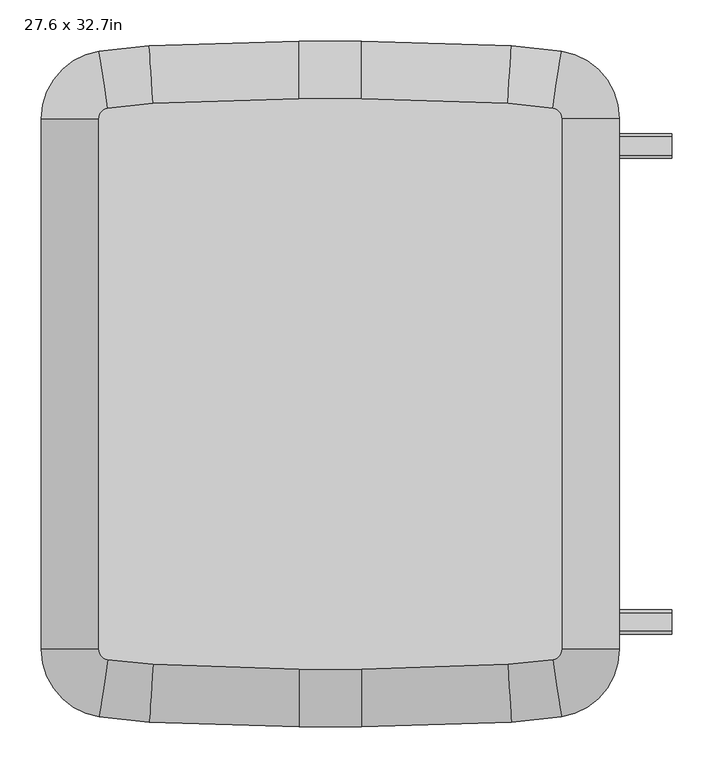
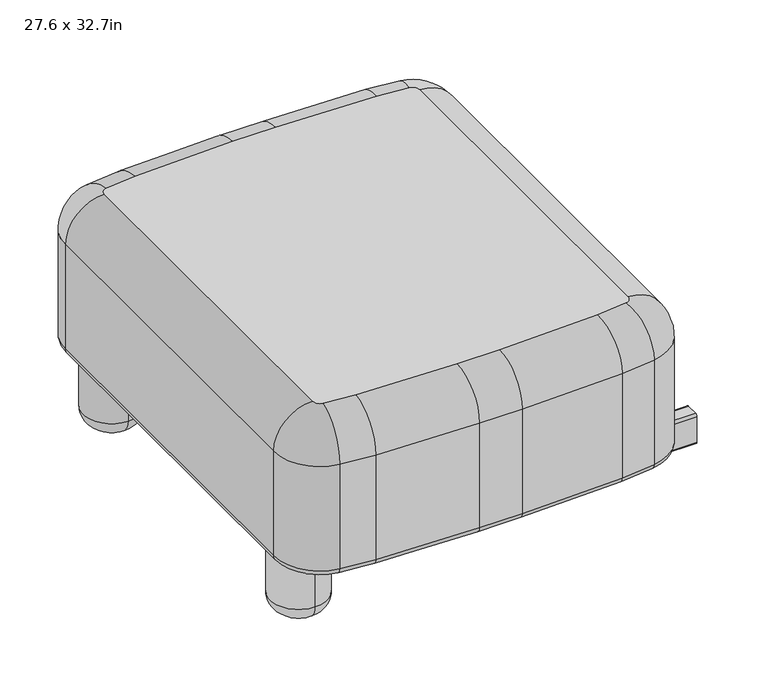
"""IFC4 building model written with IfcOpenShell, lengths in millimetres: furniture geometry, 27.6 x 32.7in."""

from ifc_helpers import new_model, si_unit, point, frame, frame_2d, origin, place, context, project, spatial, polyline, circle_curve, ellipse_curve, trimmed, segment, composite_curve, outline, extrude, source, transform, mapped, element, save
from ifc_brep_helpers import plane_surface, cylinder_surface, revolved_surface, advanced_brep


def furniture_27_6_x_32_7in_457789a7(model_context):
    return source(origin(), model_context, "Body", "SolidModel", [
        extrude(outline(composite_curve([segment(polyline([(-299.48, 127.0), (-277.1, 127.0)]), True, "CONTINUOUS"), segment(trimmed(circle_curve(frame_2d((-277.1, 123.19)), 3.81), [point((-277.1, 127.0))], [point((-273.29, 123.19))], False, "CARTESIAN"), True, "CONTINUOUS"), segment(polyline([(-273.29, 123.19), (-273.29, 74.93)]), True, "CONTINUOUS"), segment(trimmed(circle_curve(frame_2d((-277.1, 74.93)), 3.81), [point((-273.29, 74.93))], [point((-277.1, 71.12))], False, "CARTESIAN"), True, "CONTINUOUS"), segment(polyline([(-277.1, 71.12), (-299.48, 71.12)]), True, "CONTINUOUS"), segment(trimmed(circle_curve(frame_2d((-299.48, 74.93)), 3.81), [point((-299.48, 71.12))], [point((-303.29, 74.93))], False, "CARTESIAN"), True, "CONTINUOUS"), segment(polyline([(-303.29, 74.93), (-303.29, 123.19)]), True, "CONTINUOUS"), segment(trimmed(circle_curve(frame_2d((-299.48, 123.19)), 3.81), [point((-303.29, 123.19))], [point((-299.48, 127.0))], False, "CARTESIAN"), True, "CONTINUOUS")], self_intersect=False)), frame((287.02, 0.0, 0.0), z_axis=(1.0, 0.0, 0.0), x_axis=(0.0, 1.0, 0.0)), (0.0, 0.0, 1.0), 127.0),
        extrude(outline(composite_curve([segment(trimmed(circle_curve(frame_2d((299.48, 123.19)), 3.81), [point((299.48, 127.0))], [point((303.29, 123.19))], False, "CARTESIAN"), True, "CONTINUOUS"), segment(polyline([(303.29, 123.19), (303.29, 74.93)]), True, "CONTINUOUS"), segment(trimmed(circle_curve(frame_2d((299.48, 74.93)), 3.81), [point((303.29, 74.93))], [point((299.48, 71.12))], False, "CARTESIAN"), True, "CONTINUOUS"), segment(polyline([(299.48, 71.12), (277.1, 71.12)]), True, "CONTINUOUS"), segment(trimmed(circle_curve(frame_2d((277.1, 74.93)), 3.81), [point((277.1, 71.12))], [point((273.29, 74.93))], False, "CARTESIAN"), True, "CONTINUOUS"), segment(polyline([(273.29, 74.93), (273.29, 123.19)]), True, "CONTINUOUS"), segment(trimmed(circle_curve(frame_2d((277.1, 123.19)), 3.81), [point((273.29, 123.19))], [point((277.1, 127.0))], False, "CARTESIAN"), True, "CONTINUOUS"), segment(polyline([(277.1, 127.0), (299.48, 127.0)]), True, "CONTINUOUS")], self_intersect=False)), frame((287.02, 0.0, 0.0), z_axis=(1.0, 0.0, 0.0), x_axis=(0.0, 1.0, 0.0)), (0.0, 0.0, 1.0), 127.0),
        extrude(outline(composite_curve([segment(polyline([(127.0, -275.83), (127.0, -298.21)]), True, "CONTINUOUS"), segment(trimmed(circle_curve(frame_2d((123.19, -298.21)), 3.81), [point((127.0, -298.21))], [point((123.19, -302.02))], False, "CARTESIAN"), True, "CONTINUOUS"), segment(polyline([(123.19, -302.02), (74.93, -302.02)]), True, "CONTINUOUS"), segment(trimmed(circle_curve(frame_2d((74.93, -298.21)), 3.81), [point((74.93, -302.02))], [point((71.12, -298.21))], False, "CARTESIAN"), True, "CONTINUOUS"), segment(polyline([(71.12, -298.21), (71.12, -275.83)]), True, "CONTINUOUS"), segment(trimmed(circle_curve(frame_2d((74.93, -275.83)), 3.81), [point((71.12, -275.83))], [point((74.93, -272.02))], False, "CARTESIAN"), True, "CONTINUOUS"), segment(polyline([(74.93, -272.02), (123.19, -272.02)]), True, "CONTINUOUS"), segment(trimmed(circle_curve(frame_2d((123.19, -275.83)), 3.81), [point((123.19, -272.02))], [point((127.0, -275.83))], False, "CARTESIAN"), True, "CONTINUOUS")], self_intersect=False)), frame((0.0, -288.29, 0.0), z_axis=(0.0, 1.0, 0.0), x_axis=(0.0, 0.0, 1.0)), (0.0, 0.0, 1.0), 576.58),
        advanced_brep(
        [(-287.02, 288.29, 127.0), (-287.02, 339.09, 127.0), (-287.02, 237.49, 127.0), (-287.02, 339.09, 31.75), (-287.02, 237.49, 31.75), (-287.02, 307.34, 0.0), (-287.02, 269.24, 0.0), (-287.02, 288.29, 0.0)],
        [
            (0, 1),
            (1, 2, circle_curve(frame((-287.02, 288.29, 127.0), z_axis=(0.0, 0.0, 1.0), x_axis=(0.0, 1.0, 0.0)), 50.8)),
            (2, 0),
            (2, 1, circle_curve(frame((-287.02, 288.29, 127.0), z_axis=(0.0, 0.0, 1.0), x_axis=(0.0, 1.0, 0.0)), 50.8)),
            (1, 3),
            (3, 4, circle_curve(frame((-287.02, 288.29, 31.75), z_axis=(0.0, 0.0, 1.0), x_axis=(0.0, 1.0, 0.0)), 50.8)),
            (4, 2),
            (4, 3, circle_curve(frame((-287.02, 288.29, 31.75), z_axis=(0.0, 0.0, 1.0), x_axis=(0.0, 1.0, 0.0)), 50.8)),
            (3, 5, circle_curve(frame((-287.02, 307.34, 31.75), z_axis=(-1.0, 0.0, 0.0), x_axis=(0.0, 1.0, 0.0)), 31.75)),
            (5, 6, circle_curve(frame((-287.02, 288.29, 0.0), z_axis=(0.0, 0.0, 1.0), x_axis=(0.0, 1.0, 0.0)), 19.05)),
            (6, 4, circle_curve(frame((-287.02, 269.24, 31.75), z_axis=(-1.0, 0.0, 0.0), x_axis=(0.0, -1.0, 0.0)), 31.75)),
            (6, 5, circle_curve(frame((-287.02, 288.29, 0.0), z_axis=(0.0, 0.0, 1.0), x_axis=(0.0, 1.0, 0.0)), 19.05)),
            (5, 7),
            (7, 6),
        ],
        [
            plane_surface(frame((-287.02, 288.29, 127.0), z_axis=(0.0, 0.0, 1.0), x_axis=(0.0, 1.0, 0.0))),
            cylinder_surface(frame((-287.02, 288.29, 153.52), z_axis=(0.0, 0.0, 1.0), x_axis=(0.0, 1.0, 0.0)), 50.8),
            revolved_surface(trimmed(ellipse_curve(frame((-287.02, 307.34, 31.75), z_axis=(1.0, 0.0, 0.0), x_axis=(0.0, 1.0, 0.0)), 31.75, 31.75), [point((-287.02, 307.34, 0.0))], [point((-287.02, 339.09, 31.75))], True, "CARTESIAN"), (-287.02, 288.29, 153.52), (0.0, 0.0, 1.0)),
            plane_surface(frame((-287.02, 288.29, 0.0), z_axis=(0.0, 0.0, -1.0), x_axis=(0.0, 1.0, 0.0))),
        ],
        [
            (0, [[1, 2, 3]]),
            (0, [[-3, 4, -1]]),
            (1, [[-2, 5, 6, 7]]),
            (1, [[-4, -7, 8, -5]]),
            (2, [[-6, 9, 10, 11]]),
            (2, [[-8, -11, 12, -9]]),
            (3, [[-10, 13, 14]]),
            (3, [[-12, -14, -13]]),
        ],
    ),
        advanced_brep(
        [(-287.02, -237.49, 127.0), (-287.02, -339.09, 127.0), (-287.02, -288.29, 127.0), (-287.02, -237.49, 31.75), (-287.02, -339.09, 31.75), (-287.02, -269.24, 0.0), (-287.02, -307.34, 0.0), (-287.02, -288.29, 0.0)],
        [
            (0, 1, circle_curve(frame((-287.02, -288.29, 127.0), z_axis=(0.0, 0.0, 1.0), x_axis=(0.0, -1.0, 0.0)), 50.8)),
            (1, 2),
            (2, 0),
            (1, 0, circle_curve(frame((-287.02, -288.29, 127.0), z_axis=(0.0, 0.0, 1.0), x_axis=(0.0, -1.0, 0.0)), 50.8)),
            (3, 4, circle_curve(frame((-287.02, -288.29, 31.75), z_axis=(0.0, 0.0, 1.0), x_axis=(0.0, -1.0, 0.0)), 50.8)),
            (4, 1),
            (0, 3),
            (4, 3, circle_curve(frame((-287.02, -288.29, 31.75), z_axis=(0.0, 0.0, 1.0), x_axis=(0.0, -1.0, 0.0)), 50.8)),
            (5, 6, circle_curve(frame((-287.02, -288.29, 0.0), z_axis=(0.0, 0.0, 1.0), x_axis=(0.0, -1.0, 0.0)), 19.05)),
            (6, 4, circle_curve(frame((-287.02, -307.34, 31.75), z_axis=(-1.0, 0.0, 0.0), x_axis=(0.0, -1.0, 0.0)), 31.75)),
            (3, 5, circle_curve(frame((-287.02, -269.24, 31.75), z_axis=(-1.0, 0.0, 0.0), x_axis=(0.0, 1.0, 0.0)), 31.75)),
            (6, 5, circle_curve(frame((-287.02, -288.29, 0.0), z_axis=(0.0, 0.0, 1.0), x_axis=(0.0, -1.0, 0.0)), 19.05)),
            (7, 6),
            (5, 7),
        ],
        [
            plane_surface(frame((-287.02, -288.29, 127.0), z_axis=(0.0, 0.0, 1.0), x_axis=(0.0, -1.0, 0.0))),
            cylinder_surface(frame((-287.02, -288.29, 153.52), z_axis=(0.0, 0.0, -1.0), x_axis=(0.0, -1.0, 0.0)), 50.8),
            revolved_surface(trimmed(ellipse_curve(frame((-287.02, -307.34, 31.75), z_axis=(1.0, 0.0, 0.0), x_axis=(0.0, -1.0, 0.0)), 31.75, 31.75), [point((-287.02, -339.09, 31.75))], [point((-287.02, -307.34, 0.0))], True, "CARTESIAN"), (-287.02, -288.29, 153.52), (0.0, 0.0, -1.0)),
            plane_surface(frame((-287.02, -288.29, 0.0), z_axis=(0.0, 0.0, -1.0), x_axis=(0.0, -1.0, 0.0))),
        ],
        [
            (0, [[1, 2, 3]]),
            (0, [[4, -3, -2]]),
            (1, [[5, 6, -1, 7]]),
            (1, [[8, -7, -4, -6]]),
            (2, [[9, 10, -5, 11]]),
            (2, [[12, -11, -8, -10]]),
            (3, [[13, -9, 14]]),
            (3, [[-14, -12, -13]]),
        ],
    ),
        extrude(outline(composite_curve([segment(polyline([(277.1, 127.0), (299.48, 127.0)]), True, "CONTINUOUS"), segment(trimmed(circle_curve(frame_2d((299.48, 123.19)), 3.81), [point((299.48, 127.0))], [point((303.29, 123.19))], False, "CARTESIAN"), True, "CONTINUOUS"), segment(polyline([(303.29, 123.19), (303.29, 74.93)]), True, "CONTINUOUS"), segment(trimmed(circle_curve(frame_2d((299.48, 74.93)), 3.81), [point((303.29, 74.93))], [point((299.48, 71.12))], False, "CARTESIAN"), True, "CONTINUOUS"), segment(polyline([(299.48, 71.12), (277.1, 71.12)]), True, "CONTINUOUS"), segment(trimmed(circle_curve(frame_2d((277.1, 74.93)), 3.81), [point((277.1, 71.12))], [point((273.29, 74.93))], False, "CARTESIAN"), True, "CONTINUOUS"), segment(polyline([(273.29, 74.93), (273.29, 123.19)]), True, "CONTINUOUS"), segment(trimmed(circle_curve(frame_2d((277.1, 123.19)), 3.81), [point((273.29, 123.19))], [point((277.1, 127.0))], False, "CARTESIAN"), True, "CONTINUOUS")], self_intersect=False)), frame((-287.02, 0.0, 0.0), z_axis=(1.0, 0.0, 0.0), x_axis=(0.0, 1.0, 0.0)), (0.0, 0.0, 1.0), 574.04),
        extrude(outline(composite_curve([segment(polyline([(-299.48, 127.0), (-277.1, 127.0)]), True, "CONTINUOUS"), segment(trimmed(circle_curve(frame_2d((-277.1, 123.19)), 3.81), [point((-277.1, 127.0))], [point((-273.29, 123.19))], False, "CARTESIAN"), True, "CONTINUOUS"), segment(polyline([(-273.29, 123.19), (-273.29, 74.93)]), True, "CONTINUOUS"), segment(trimmed(circle_curve(frame_2d((-277.1, 74.93)), 3.81), [point((-273.29, 74.93))], [point((-277.1, 71.12))], False, "CARTESIAN"), True, "CONTINUOUS"), segment(polyline([(-277.1, 71.12), (-299.48, 71.12)]), True, "CONTINUOUS"), segment(trimmed(circle_curve(frame_2d((-299.48, 74.93)), 3.81), [point((-299.48, 71.12))], [point((-303.29, 74.93))], False, "CARTESIAN"), True, "CONTINUOUS"), segment(polyline([(-303.29, 74.93), (-303.29, 123.19)]), True, "CONTINUOUS"), segment(trimmed(circle_curve(frame_2d((-299.48, 123.19)), 3.81), [point((-303.29, 123.19))], [point((-299.48, 127.0))], False, "CARTESIAN"), True, "CONTINUOUS")], self_intersect=False)), frame((-287.02, 0.0, 0.0), z_axis=(1.0, 0.0, 0.0), x_axis=(0.0, 1.0, 0.0)), (0.0, 0.0, 1.0), 574.04),
        advanced_brep(
        [(-280.2517982, -403.1636253, 139.7), (-350.52, -321.5323817, 139.7), (-337.82, -321.5323817, 127.0), (-278.3622908, -390.6049724, 127.0), (-280.2517982, -403.1636253, 336.55), (-350.52, -321.5323817, 336.55), (-218.6519754, -396.951287, 127.0), (-219.444455, -409.6265376, 139.7), (-219.444455, -409.6265376, 336.55), (-38.1, -402.59, 127.0), (-38.1, -415.29, 139.7), (-38.1, -415.29, 336.55), (38.1, -402.59, 127.0), (38.1, -415.29, 139.7), (38.1, -415.29, 336.55), (218.6519754, -396.951287, 127.0), (219.444455, -409.6265376, 139.7), (219.444455, -409.6265376, 336.55), (278.3622908, -390.6049724, 127.0), (280.2517982, -403.1636253, 139.7), (280.2517982, -403.1636253, 336.55), (337.82, -321.5323817, 127.0), (350.52, -321.5323817, 139.7), (350.52, -321.5323817, 336.55), (337.82, 321.5323817, 127.0), (350.52, 321.5323817, 139.7), (350.52, 321.5323817, 336.55), (278.3622908, 390.6049724, 127.0), (280.2517982, 403.1636253, 139.7), (280.2517982, 403.1636253, 336.55), (218.6519754, 396.951287, 127.0), (219.444455, 409.6265376, 139.7), (219.444455, 409.6265376, 336.55), (38.1, 402.59, 127.0), (38.1, 415.29, 139.7), (38.1, 415.29, 336.55), (-38.1, 402.59, 127.0), (-38.1, 415.29, 139.7), (-38.1, 415.29, 336.55), (-218.6519754, 396.951287, 127.0), (-219.444455, 409.6265376, 139.7), (-219.444455, 409.6265376, 336.55), (-278.3622908, 390.6049724, 127.0), (-280.2517982, 403.1636253, 139.7), (-280.2517982, 403.1636253, 336.55), (-337.82, 321.5323817, 127.0), (-350.52, 321.5323817, 139.7), (-350.52, 321.5323817, 336.55), (-215.0858173, 339.9126596, 406.4), (-269.8595074, 334.0910345, 406.4), (-280.67, 321.5323817, 406.4), (-280.67, -321.5323817, 406.4), (-269.8595074, -334.0910345, 406.4), (-215.0858173, -339.9126596, 406.4), (-38.1, -345.44, 406.4), (38.1, -345.44, 406.4), (215.0858173, -339.9126596, 406.4), (269.8595074, -334.0910345, 406.4), (280.67, -321.5323817, 406.4), (280.67, 321.5323817, 406.4), (269.8595074, 334.0910345, 406.4), (215.0858173, 339.9126596, 406.4), (38.1, 345.44, 406.4), (-38.1, 345.44, 406.4)],
        [
            (0, 1, circle_curve(frame((-267.97, -321.5323817, 139.7), z_axis=(0.0, 0.0, -1.0), x_axis=(-1.0, 0.0, 0.0)), 82.55)),
            (1, 2, circle_curve(frame((-337.82, -321.5323817, 139.7), z_axis=(0.0, -1.0, 0.0), x_axis=(1.0, 0.0, 0.0)), 12.7)),
            (2, 3, circle_curve(frame((-267.97, -321.5323817, 127.0), z_axis=(0.0, 0.0, 1.0), x_axis=(-1.0, 0.0, 0.0)), 69.85)),
            (3, 0, circle_curve(frame((-278.3622908, -390.6049724, 139.7), z_axis=(-0.988870304083689, 0.1487801119149752, 0.0), x_axis=(0.1487801119149752, 0.988870304083689, 0.0)), 12.7)),
            (0, 4),
            (4, 5, circle_curve(frame((-267.97, -321.5323817, 336.55), z_axis=(0.0, 0.0, -1.0), x_axis=(-1.0, 0.0, 0.0)), 82.55)),
            (5, 1),
            (3, 6, circle_curve(frame((-175.5179687, 292.952089, 127.0), z_axis=(0.0, 0.0, 1.0), x_axis=(-0.14878011191497612, -0.9888703040836888, 0.0)), 691.2504689)),
            (6, 7, circle_curve(frame((-218.6519754, -396.951287, 139.7), z_axis=(-0.9980512231710863, 0.06239996736135857, 0.0), x_axis=(0.06239996736135857, 0.9980512231710863, 0.0)), 12.7)),
            (7, 0, circle_curve(frame((-175.5179687, 292.952089, 139.7), z_axis=(0.0, 0.0, -1.0), x_axis=(-0.14878011191497612, -0.9888703040836888, 0.0)), 703.9504689)),
            (7, 8),
            (8, 4, circle_curve(frame((-175.5179687, 292.952089, 336.55), z_axis=(0.0, 0.0, -1.0), x_axis=(-0.14878011191497612, -0.9888703040836888, 0.0)), 703.9504689)),
            (6, 9, circle_curve(frame((-38.1, 2490.8726576, 127.0), z_axis=(0.0, 0.0, 1.0), x_axis=(-0.062399967361358485, -0.9980512231710862, 0.0)), 2893.4626576)),
            (9, 10, circle_curve(frame((-38.1, -402.59, 139.7), z_axis=(-0.9999999999999999, 0.0, 0.0), x_axis=(0.0, 0.9999999999999999, 0.0)), 12.7)),
            (10, 7, circle_curve(frame((-38.1, 2490.8726576, 139.7), z_axis=(0.0, 0.0, -1.0), x_axis=(-0.062399967361358485, -0.9980512231710862, 0.0)), 2906.1626576)),
            (10, 11),
            (11, 8, circle_curve(frame((-38.1, 2490.8726576, 336.55), z_axis=(0.0, 0.0, -1.0), x_axis=(-0.062399967361358485, -0.9980512231710862, 0.0)), 2906.1626576)),
            (9, 12),
            (12, 13, circle_curve(frame((38.1, -402.59, 139.7), z_axis=(-1.0, 0.0, 0.0), x_axis=(0.0, 1.0, 0.0)), 12.7)),
            (13, 10),
            (13, 14),
            (14, 11),
            (12, 15, circle_curve(frame((38.1, 2490.8726576, 127.0), z_axis=(0.0, 0.0, 1.0), x_axis=(0.0, -1.0, 0.0)), 2893.4626576)),
            (15, 16, circle_curve(frame((218.6519754, -396.951287, 139.7), z_axis=(-0.9980512231710863, -0.06239996736135682, 0.0), x_axis=(-0.06239996736135682, 0.9980512231710863, 0.0)), 12.7)),
            (16, 13, circle_curve(frame((38.1, 2490.8726576, 139.7), z_axis=(0.0, 0.0, -1.0), x_axis=(0.0, -1.0, 0.0)), 2906.1626576)),
            (16, 17),
            (17, 14, circle_curve(frame((38.1, 2490.8726576, 336.55), z_axis=(0.0, 0.0, -1.0), x_axis=(0.0, -1.0, 0.0)), 2906.1626576)),
            (15, 18, circle_curve(frame((175.5179687, 292.952089, 127.0), z_axis=(0.0, 0.0, 1.0), x_axis=(0.062399967361352164, -0.9980512231710866, 0.0)), 691.2504689)),
            (18, 19, circle_curve(frame((278.3622908, -390.6049724, 139.7), z_axis=(-0.9888703040836846, -0.14878011191500326, 0.0), x_axis=(-0.14878011191500326, 0.9888703040836846, 0.0)), 12.7)),
            (19, 16, circle_curve(frame((175.5179687, 292.952089, 139.7), z_axis=(0.0, 0.0, -1.0), x_axis=(0.062399967361352164, -0.9980512231710866, 0.0)), 703.9504689)),
            (19, 20),
            (20, 17, circle_curve(frame((175.5179687, 292.952089, 336.55), z_axis=(0.0, 0.0, -1.0), x_axis=(0.062399967361352164, -0.9980512231710866, 0.0)), 703.9504689)),
            (18, 21, circle_curve(frame((267.97, -321.5323817, 127.0), z_axis=(0.0, 0.0, 1.0), x_axis=(0.14878011191500345, -0.9888703040836847, 0.0)), 69.85)),
            (21, 22, circle_curve(frame((337.82, -321.5323817, 139.7), z_axis=(0.0, -1.0, 0.0), x_axis=(-1.0, 0.0, 0.0)), 12.7)),
            (22, 19, circle_curve(frame((267.97, -321.5323817, 139.7), z_axis=(0.0, 0.0, -1.0), x_axis=(0.14878011191500345, -0.9888703040836847, 0.0)), 82.55)),
            (22, 23),
            (23, 20, circle_curve(frame((267.97, -321.5323817, 336.55), z_axis=(0.0, 0.0, -1.0), x_axis=(0.14878011191500345, -0.9888703040836847, 0.0)), 82.55)),
            (21, 24),
            (24, 25, circle_curve(frame((337.82, 321.5323817, 139.7), z_axis=(0.0, -1.0, 0.0), x_axis=(-1.0, 0.0, 0.0)), 12.7)),
            (25, 22),
            (25, 26),
            (26, 23),
            (24, 27, circle_curve(frame((267.97, 321.5323817, 127.0), z_axis=(0.0, 0.0, 1.0), x_axis=(1.0, 0.0, 0.0)), 69.85)),
            (27, 28, circle_curve(frame((278.3622908, 390.6049724, 139.7), z_axis=(0.9888703040836847, -0.14878011191500387, 0.0), x_axis=(-0.14878011191500387, -0.9888703040836847, 0.0)), 12.7)),
            (28, 25, circle_curve(frame((267.97, 321.5323817, 139.7), z_axis=(0.0, 0.0, -1.0), x_axis=(1.0, 0.0, 0.0)), 82.55)),
            (28, 29),
            (29, 26, circle_curve(frame((267.97, 321.5323817, 336.55), z_axis=(0.0, 0.0, -1.0), x_axis=(1.0, 0.0, 0.0)), 82.55)),
            (27, 30, circle_curve(frame((175.5179687, -292.952089, 127.0), z_axis=(0.0, 0.0, 1.0), x_axis=(0.14878011191500345, 0.9888703040836847, 0.0)), 691.2504689)),
            (30, 31, circle_curve(frame((218.6519754, 396.951287, 139.7), z_axis=(0.9980512231710862, -0.06239996736135908, 0.0), x_axis=(-0.06239996736135908, -0.9980512231710862, 0.0)), 12.7)),
            (31, 28, circle_curve(frame((175.5179687, -292.952089, 139.7), z_axis=(0.0, 0.0, -1.0), x_axis=(0.14878011191500345, 0.9888703040836847, 0.0)), 703.9504689)),
            (31, 32),
            (32, 29, circle_curve(frame((175.5179687, -292.952089, 336.55), z_axis=(0.0, 0.0, -1.0), x_axis=(0.14878011191500345, 0.9888703040836847, 0.0)), 703.9504689)),
            (30, 33, circle_curve(frame((38.1, -2490.8726576, 127.0), z_axis=(0.0, 0.0, 1.0), x_axis=(0.06239996736135861, 0.9980512231710862, 0.0)), 2893.4626576)),
            (33, 34, circle_curve(frame((38.1, 402.59, 139.7), z_axis=(1.0, 0.0, 0.0), x_axis=(0.0, -1.0, 0.0)), 12.7)),
            (34, 31, circle_curve(frame((38.1, -2490.8726576, 139.7), z_axis=(0.0, 0.0, -1.0), x_axis=(0.06239996736135861, 0.9980512231710862, 0.0)), 2906.1626576)),
            (34, 35),
            (35, 32, circle_curve(frame((38.1, -2490.8726576, 336.55), z_axis=(0.0, 0.0, -1.0), x_axis=(0.06239996736135861, 0.9980512231710862, 0.0)), 2906.1626576)),
            (33, 36),
            (36, 37, circle_curve(frame((-38.1, 402.59, 139.7), z_axis=(1.0, 0.0, 0.0), x_axis=(0.0, -1.0, 0.0)), 12.7)),
            (37, 34),
            (37, 38),
            (38, 35),
            (36, 39, circle_curve(frame((-38.1, -2490.8726576, 127.0), z_axis=(0.0, 0.0, 1.0), x_axis=(0.0, 1.0, 0.0)), 2893.4626576)),
            (39, 40, circle_curve(frame((-218.6519754, 396.951287, 139.7), z_axis=(0.9980512231710863, 0.06239996736135681, 0.0), x_axis=(0.06239996736135681, -0.9980512231710863, 0.0)), 12.7)),
            (40, 37, circle_curve(frame((-38.1, -2490.8726576, 139.7), z_axis=(0.0, 0.0, -1.0), x_axis=(0.0, 1.0, 0.0)), 2906.1626576)),
            (40, 41),
            (41, 38, circle_curve(frame((-38.1, -2490.8726576, 336.55), z_axis=(0.0, 0.0, -1.0), x_axis=(0.0, 1.0, 0.0)), 2906.1626576)),
            (39, 42, circle_curve(frame((-175.5179687, -292.952089, 127.0), z_axis=(0.0, 0.0, 1.0), x_axis=(-0.06239996736135204, 0.9980512231710866, 0.0)), 691.2504689)),
            (42, 43, circle_curve(frame((-278.3622908, 390.6049724, 139.7), z_axis=(0.9888703040836888, 0.14878011191497595, 0.0), x_axis=(0.14878011191497595, -0.9888703040836888, 0.0)), 12.7)),
            (43, 40, circle_curve(frame((-175.5179687, -292.952089, 139.7), z_axis=(0.0, 0.0, -1.0), x_axis=(-0.06239996736135204, 0.9980512231710866, 0.0)), 703.9504689)),
            (43, 44),
            (44, 41, circle_curve(frame((-175.5179687, -292.952089, 336.55), z_axis=(0.0, 0.0, -1.0), x_axis=(-0.06239996736135204, 0.9980512231710866, 0.0)), 703.9504689)),
            (42, 45, circle_curve(frame((-267.97, 321.5323817, 127.0), z_axis=(0.0, 0.0, 1.0), x_axis=(-0.14878011191497523, 0.9888703040836889, 0.0)), 69.85)),
            (45, 46, circle_curve(frame((-337.82, 321.5323817, 139.7), z_axis=(0.0, 1.0, 0.0), x_axis=(1.0, 0.0, 0.0)), 12.7)),
            (46, 43, circle_curve(frame((-267.97, 321.5323817, 139.7), z_axis=(0.0, 0.0, -1.0), x_axis=(-0.14878011191497523, 0.9888703040836889, 0.0)), 82.55)),
            (46, 47),
            (47, 44, circle_curve(frame((-267.97, 321.5323817, 336.55), z_axis=(0.0, 0.0, -1.0), x_axis=(-0.14878011191497523, 0.9888703040836889, 0.0)), 82.55)),
            (48, 49, circle_curve(frame((-175.5179687, -292.952089, 406.4), z_axis=(0.0, 0.0, 1.0), x_axis=(-0.06239996736135204, 0.9980512231710866, 0.0)), 634.1004689)),
            (49, 50, circle_curve(frame((-267.97, 321.5323817, 406.4), z_axis=(0.0, 0.0, 1.0), x_axis=(-0.14878011191497523, 0.9888703040836889, 0.0)), 12.7)),
            (50, 51),
            (51, 52, circle_curve(frame((-267.97, -321.5323817, 406.4), z_axis=(0.0, 0.0, 1.0), x_axis=(-1.0, 0.0, 0.0)), 12.7)),
            (52, 53, circle_curve(frame((-175.5179687, 292.952089, 406.4), z_axis=(0.0, 0.0, 1.0), x_axis=(-0.14878011191497612, -0.9888703040836888, 0.0)), 634.1004689)),
            (53, 54, circle_curve(frame((-38.1, 2490.8726576, 406.4), z_axis=(0.0, 0.0, 1.0), x_axis=(-0.062399967361358485, -0.9980512231710862, 0.0)), 2836.3126576)),
            (54, 55),
            (55, 56, circle_curve(frame((38.1, 2490.8726576, 406.4), z_axis=(0.0, 0.0, 1.0), x_axis=(0.0, -1.0, 0.0)), 2836.3126576)),
            (56, 57, circle_curve(frame((175.5179687, 292.952089, 406.4), z_axis=(0.0, 0.0, 1.0), x_axis=(0.062399967361352164, -0.9980512231710866, 0.0)), 634.1004689)),
            (57, 58, circle_curve(frame((267.97, -321.5323817, 406.4), z_axis=(0.0, 0.0, 1.0), x_axis=(0.14878011191500345, -0.9888703040836847, 0.0)), 12.7)),
            (58, 59),
            (59, 60, circle_curve(frame((267.97, 321.5323817, 406.4), z_axis=(0.0, 0.0, 1.0), x_axis=(1.0, 0.0, 0.0)), 12.7)),
            (60, 61, circle_curve(frame((175.5179687, -292.952089, 406.4), z_axis=(0.0, 0.0, 1.0), x_axis=(0.14878011191500345, 0.9888703040836847, 0.0)), 634.1004689)),
            (61, 62, circle_curve(frame((38.1, -2490.8726576, 406.4), z_axis=(0.0, 0.0, 1.0), x_axis=(0.06239996736135861, 0.9980512231710862, 0.0)), 2836.3126576)),
            (62, 63),
            (63, 48, circle_curve(frame((-38.1, -2490.8726576, 406.4), z_axis=(0.0, 0.0, 1.0), x_axis=(0.0, 1.0, 0.0)), 2836.3126576)),
            (2, 45),
            (1, 46),
            (5, 47),
            (4, 52, circle_curve(frame((-269.8595074, -334.0910345, 336.55), z_axis=(-0.988870304083689, 0.14878011191497542, 0.0), x_axis=(0.14878011191497542, 0.988870304083689, 0.0)), 69.85)),
            (51, 5, circle_curve(frame((-280.67, -321.5323817, 336.55), z_axis=(0.0, -1.0, 0.0), x_axis=(1.0, 0.0, 0.0)), 69.85)),
            (8, 53, circle_curve(frame((-215.0858173, -339.9126596, 336.55), z_axis=(-0.9980512231710862, 0.062399967361358596, 0.0), x_axis=(0.062399967361358596, 0.9980512231710862, 0.0)), 69.85)),
            (11, 54, circle_curve(frame((-38.1, -345.44, 336.55), z_axis=(-0.9999999999999999, 0.0, 0.0), x_axis=(0.0, 0.9999999999999999, 0.0)), 69.85)),
            (14, 55, circle_curve(frame((38.1, -345.44, 336.55), z_axis=(-1.0, 0.0, 0.0), x_axis=(0.0, 1.0, 0.0)), 69.85)),
            (17, 56, circle_curve(frame((215.0858173, -339.9126596, 336.55), z_axis=(-0.9980512231710863, -0.0623999673613568, 0.0), x_axis=(-0.0623999673613568, 0.9980512231710863, 0.0)), 69.85)),
            (20, 57, circle_curve(frame((269.8595074, -334.0910345, 336.55), z_axis=(-0.9888703040836846, -0.14878011191500332, 0.0), x_axis=(-0.14878011191500332, 0.9888703040836846, 0.0)), 69.85)),
            (23, 58, circle_curve(frame((280.67, -321.5323817, 336.55), z_axis=(0.0, -1.0, 0.0), x_axis=(-1.0, 0.0, 0.0)), 69.85)),
            (26, 59, circle_curve(frame((280.67, 321.5323817, 336.55), z_axis=(0.0, -1.0, 0.0), x_axis=(-1.0, 0.0, 0.0)), 69.85)),
            (29, 60, circle_curve(frame((269.8595074, 334.0910345, 336.55), z_axis=(0.9888703040836847, -0.1487801119150041, 0.0), x_axis=(-0.1487801119150041, -0.9888703040836847, 0.0)), 69.85)),
            (32, 61, circle_curve(frame((215.0858173, 339.9126596, 336.55), z_axis=(0.9980512231710862, -0.06239996736135908, 0.0), x_axis=(-0.06239996736135908, -0.9980512231710862, 0.0)), 69.85)),
            (35, 62, circle_curve(frame((38.1, 345.44, 336.55), z_axis=(1.0, 0.0, 0.0), x_axis=(0.0, -1.0, 0.0)), 69.85)),
            (38, 63, circle_curve(frame((-38.1, 345.44, 336.55), z_axis=(1.0, 0.0, 0.0), x_axis=(0.0, -1.0, 0.0)), 69.85)),
            (41, 48, circle_curve(frame((-215.0858173, 339.9126596, 336.55), z_axis=(0.9980512231710863, 0.062399967361356785, 0.0), x_axis=(0.062399967361356785, -0.9980512231710863, 0.0)), 69.85)),
            (44, 49, circle_curve(frame((-269.8595074, 334.0910345, 336.55), z_axis=(0.9888703040836888, 0.14878011191497598, 0.0), x_axis=(0.14878011191497598, -0.9888703040836888, 0.0)), 69.85)),
            (47, 50, circle_curve(frame((-280.67, 321.5323817, 336.55), z_axis=(0.0, 1.0, 0.0), x_axis=(1.0, 0.0, 0.0)), 69.85)),
        ],
        [
            revolved_surface(trimmed(ellipse_curve(frame((-337.82, -321.5323817, 139.7), z_axis=(0.0, 1.0, 0.0), x_axis=(1.0, 0.0, 0.0)), 12.7, 12.7), [point((-337.82, -321.5323817, 127.0))], [point((-350.52, -321.5323817, 139.7))], True, "CARTESIAN"), (-267.97, -321.5323817, 0.0), (0.0, 0.0, 1.0)),
            cylinder_surface(frame((-267.97, -321.5323817, 0.0), z_axis=(0.0, 0.0, 1.0), x_axis=(-1.0, 0.0, 0.0)), 82.55),
            revolved_surface(trimmed(ellipse_curve(frame((-278.3622908, -390.6049724, 139.7), z_axis=(-0.9888703040836888, 0.1487801119149763, 0.0), x_axis=(0.1487801119149763, 0.9888703040836888, 0.0)), 12.7, 12.7), [point((-278.3622908, -390.6049724, 127.0))], [point((-280.2517982, -403.1636253, 139.7))], True, "CARTESIAN"), (-175.5179687, 292.952089, 0.0), (0.0, 0.0, 1.0)),
            cylinder_surface(frame((-175.5179687, 292.952089, 0.0), z_axis=(0.0, 0.0, 1.0), x_axis=(-0.14878011191497612, -0.9888703040836888, 0.0)), 703.9504689),
            revolved_surface(trimmed(ellipse_curve(frame((-218.6519754, -396.951287, 139.7), z_axis=(-0.9980512231710862, 0.06239996736135868, 0.0), x_axis=(0.06239996736135868, 0.9980512231710862, 0.0)), 12.7, 12.7), [point((-218.6519754, -396.951287, 127.0))], [point((-219.444455, -409.6265376, 139.7))], True, "CARTESIAN"), (-38.1, 2490.8726576, 0.0), (0.0, 0.0, 1.0)),
            cylinder_surface(frame((-38.1, 2490.8726576, 0.0), z_axis=(0.0, 0.0, 1.0), x_axis=(-0.062399967361358485, -0.9980512231710862, 0.0)), 2906.1626576),
            cylinder_surface(frame((-38.1, -402.59, 139.7), z_axis=(-1.0, 0.0, 0.0), x_axis=(0.0, 1.0, 0.0)), 12.7),
            plane_surface(frame((-38.1, -415.29, 139.7), z_axis=(0.0, -1.0, 0.0), x_axis=(1.0, 0.0, 0.0))),
            revolved_surface(trimmed(ellipse_curve(frame((38.1, -402.59, 139.7), z_axis=(-1.0, 0.0, 0.0), x_axis=(0.0, 1.0, 0.0)), 12.7, 12.7), [point((38.1, -402.59, 127.0))], [point((38.1, -415.29, 139.7))], True, "CARTESIAN"), (38.1, 2490.8726576, 0.0), (0.0, 0.0, 1.0)),
            cylinder_surface(frame((38.1, 2490.8726576, 0.0), z_axis=(0.0, 0.0, 1.0), x_axis=(0.0, -1.0, 0.0)), 2906.1626576),
            revolved_surface(trimmed(ellipse_curve(frame((218.6519754, -396.951287, 139.7), z_axis=(-0.9980512231710866, -0.06239996736135197, 0.0), x_axis=(-0.06239996736135197, 0.9980512231710866, 0.0)), 12.7, 12.7), [point((218.6519754, -396.951287, 127.0))], [point((219.444455, -409.6265376, 139.7))], True, "CARTESIAN"), (175.5179687, 292.952089, 0.0), (0.0, 0.0, 1.0)),
            cylinder_surface(frame((175.5179687, 292.952089, 0.0), z_axis=(0.0, 0.0, 1.0), x_axis=(0.062399967361352164, -0.9980512231710866, 0.0)), 703.9504689),
            revolved_surface(trimmed(ellipse_curve(frame((278.3622908, -390.6049724, 139.7), z_axis=(-0.9888703040836847, -0.14878011191500326, 0.0), x_axis=(-0.14878011191500326, 0.9888703040836847, 0.0)), 12.7, 12.7), [point((278.3622908, -390.6049724, 127.0))], [point((280.2517982, -403.1636253, 139.7))], True, "CARTESIAN"), (267.97, -321.5323817, 0.0), (0.0, 0.0, 1.0)),
            cylinder_surface(frame((267.97, -321.5323817, 0.0), z_axis=(0.0, 0.0, 1.0), x_axis=(0.14878011191500345, -0.9888703040836847, 0.0)), 82.55),
            cylinder_surface(frame((337.82, -321.5323817, 139.7), z_axis=(0.0, -1.0, 0.0), x_axis=(-1.0, 0.0, 0.0)), 12.7),
            plane_surface(frame((350.52, -321.5323817, 139.7), z_axis=(1.0, 0.0, 0.0), x_axis=(0.0, 1.0, 0.0))),
            revolved_surface(trimmed(ellipse_curve(frame((337.82, 321.5323817, 139.7), z_axis=(0.0, -1.0, 0.0), x_axis=(-1.0, 0.0, 0.0)), 12.7, 12.7), [point((337.82, 321.5323817, 127.0))], [point((350.52, 321.5323817, 139.7))], True, "CARTESIAN"), (267.97, 321.5323817, 0.0), (0.0, 0.0, 1.0)),
            cylinder_surface(frame((267.97, 321.5323817, 0.0), z_axis=(0.0, 0.0, 1.0), x_axis=(1.0, 0.0, 0.0)), 82.55),
            revolved_surface(trimmed(ellipse_curve(frame((278.3622908, 390.6049724, 139.7), z_axis=(0.9888703040836847, -0.14878011191500362, 0.0), x_axis=(-0.14878011191500362, -0.9888703040836847, 0.0)), 12.7, 12.7), [point((278.3622908, 390.6049724, 127.0))], [point((280.2517982, 403.1636253, 139.7))], True, "CARTESIAN"), (175.5179687, -292.952089, 0.0), (0.0, 0.0, 1.0)),
            cylinder_surface(frame((175.5179687, -292.952089, 0.0), z_axis=(0.0, 0.0, 1.0), x_axis=(0.14878011191500345, 0.9888703040836847, 0.0)), 703.9504689),
            revolved_surface(trimmed(ellipse_curve(frame((218.6519754, 396.951287, 139.7), z_axis=(0.9980512231710862, -0.06239996736135877, 0.0), x_axis=(-0.06239996736135877, -0.9980512231710862, 0.0)), 12.7, 12.7), [point((218.6519754, 396.951287, 127.0))], [point((219.444455, 409.6265376, 139.7))], True, "CARTESIAN"), (38.1, -2490.8726576, 0.0), (0.0, 0.0, 1.0)),
            cylinder_surface(frame((38.1, -2490.8726576, 0.0), z_axis=(0.0, 0.0, 1.0), x_axis=(0.06239996736135861, 0.9980512231710862, 0.0)), 2906.1626576),
            cylinder_surface(frame((38.1, 402.59, 139.7), z_axis=(1.0, 0.0, 0.0), x_axis=(0.0, -1.0, 0.0)), 12.7),
            plane_surface(frame((38.1, 415.29, 139.7), z_axis=(0.0, 1.0, 0.0), x_axis=(-1.0, 0.0, 0.0))),
            revolved_surface(trimmed(ellipse_curve(frame((-38.1, 402.59, 139.7), z_axis=(1.0, 0.0, 0.0), x_axis=(0.0, -1.0, 0.0)), 12.7, 12.7), [point((-38.1, 402.59, 127.0))], [point((-38.1, 415.29, 139.7))], True, "CARTESIAN"), (-38.1, -2490.8726576, 0.0), (0.0, 0.0, 1.0)),
            cylinder_surface(frame((-38.1, -2490.8726576, 0.0), z_axis=(0.0, 0.0, 1.0), x_axis=(0.0, 1.0, 0.0)), 2906.1626576),
            revolved_surface(trimmed(ellipse_curve(frame((-218.6519754, 396.951287, 139.7), z_axis=(0.9980512231710866, 0.06239996736135188, 0.0), x_axis=(0.06239996736135188, -0.9980512231710866, 0.0)), 12.7, 12.7), [point((-218.6519754, 396.951287, 127.0))], [point((-219.444455, 409.6265376, 139.7))], True, "CARTESIAN"), (-175.5179687, -292.952089, 0.0), (0.0, 0.0, 1.0)),
            cylinder_surface(frame((-175.5179687, -292.952089, 0.0), z_axis=(0.0, 0.0, 1.0), x_axis=(-0.06239996736135204, 0.9980512231710866, 0.0)), 703.9504689),
            revolved_surface(trimmed(ellipse_curve(frame((-278.3622908, 390.6049724, 139.7), z_axis=(0.9888703040836889, 0.14878011191497503, 0.0), x_axis=(0.14878011191497503, -0.9888703040836889, 0.0)), 12.7, 12.7), [point((-278.3622908, 390.6049724, 127.0))], [point((-280.2517982, 403.1636253, 139.7))], True, "CARTESIAN"), (-267.97, 321.5323817, 0.0), (0.0, 0.0, 1.0)),
            cylinder_surface(frame((-267.97, 321.5323817, 0.0), z_axis=(0.0, 0.0, 1.0), x_axis=(-0.14878011191497523, 0.9888703040836889, 0.0)), 82.55),
            plane_surface(frame((-280.67, 321.5323817, 406.4), z_axis=(0.0, 0.0, 1.0), x_axis=(0.0, -1.0, 0.0))),
            plane_surface(frame((-274.32, 321.5323817, 127.0), z_axis=(0.0, 0.0, -1.0), x_axis=(0.0, -1.0, 0.0))),
            cylinder_surface(frame((-337.82, 321.5323817, 139.7), z_axis=(0.0, 1.0, 0.0), x_axis=(1.0, 0.0, 0.0)), 12.7),
            plane_surface(frame((-350.52, 321.5323817, 139.7), z_axis=(-1.0, 0.0, 0.0), x_axis=(0.0, -1.0, 0.0))),
            revolved_surface(trimmed(ellipse_curve(frame((-280.67, -321.5323817, 336.55), z_axis=(0.0, 1.0, 0.0), x_axis=(1.0, 0.0, 0.0)), 69.85, 69.85), [point((-350.52, -321.5323817, 336.55))], [point((-280.67, -321.5323817, 406.4))], True, "CARTESIAN"), (-267.97, -321.5323817, 0.0), (0.0, 0.0, 1.0)),
            revolved_surface(trimmed(ellipse_curve(frame((-269.8595074, -334.0910345, 336.55), z_axis=(-0.9888703040836888, 0.1487801119149763, 0.0), x_axis=(0.1487801119149763, 0.9888703040836888, 0.0)), 69.85, 69.85), [point((-280.2517982, -403.1636253, 336.55))], [point((-269.8595074, -334.0910345, 406.4))], True, "CARTESIAN"), (-175.5179687, 292.952089, 0.0), (0.0, 0.0, 1.0)),
            revolved_surface(trimmed(ellipse_curve(frame((-215.0858173, -339.9126596, 336.55), z_axis=(-0.9980512231710862, 0.06239996736135868, 0.0), x_axis=(0.06239996736135868, 0.9980512231710862, 0.0)), 69.85, 69.85), [point((-219.444455, -409.6265376, 336.55))], [point((-215.0858173, -339.9126596, 406.4))], True, "CARTESIAN"), (-38.1, 2490.8726576, 0.0), (0.0, 0.0, 1.0)),
            cylinder_surface(frame((-38.1, -345.44, 336.55), z_axis=(-1.0, 0.0, 0.0), x_axis=(0.0, 1.0, 0.0)), 69.85),
            revolved_surface(trimmed(ellipse_curve(frame((38.1, -345.44, 336.55), z_axis=(-1.0, 0.0, 0.0), x_axis=(0.0, 1.0, 0.0)), 69.85, 69.85), [point((38.1, -415.29, 336.55))], [point((38.1, -345.44, 406.4))], True, "CARTESIAN"), (38.1, 2490.8726576, 0.0), (0.0, 0.0, 1.0)),
            revolved_surface(trimmed(ellipse_curve(frame((215.0858173, -339.9126596, 336.55), z_axis=(-0.9980512231710866, -0.06239996736135197, 0.0), x_axis=(-0.06239996736135197, 0.9980512231710866, 0.0)), 69.85, 69.85), [point((219.444455, -409.6265376, 336.55))], [point((215.0858173, -339.9126596, 406.4))], True, "CARTESIAN"), (175.5179687, 292.952089, 0.0), (0.0, 0.0, 1.0)),
            revolved_surface(trimmed(ellipse_curve(frame((269.8595074, -334.0910345, 336.55), z_axis=(-0.9888703040836847, -0.14878011191500326, 0.0), x_axis=(-0.14878011191500326, 0.9888703040836847, 0.0)), 69.85, 69.85), [point((280.2517982, -403.1636253, 336.55))], [point((269.8595074, -334.0910345, 406.4))], True, "CARTESIAN"), (267.97, -321.5323817, 0.0), (0.0, 0.0, 1.0)),
            cylinder_surface(frame((280.67, -321.5323817, 336.55), z_axis=(0.0, -1.0, 0.0), x_axis=(-1.0, 0.0, 0.0)), 69.85),
            revolved_surface(trimmed(ellipse_curve(frame((280.67, 321.5323817, 336.55), z_axis=(0.0, -1.0, 0.0), x_axis=(-1.0, 0.0, 0.0)), 69.85, 69.85), [point((350.52, 321.5323817, 336.55))], [point((280.67, 321.5323817, 406.4))], True, "CARTESIAN"), (267.97, 321.5323817, 0.0), (0.0, 0.0, 1.0)),
            revolved_surface(trimmed(ellipse_curve(frame((269.8595074, 334.0910345, 336.55), z_axis=(0.9888703040836847, -0.14878011191500362, 0.0), x_axis=(-0.14878011191500362, -0.9888703040836847, 0.0)), 69.85, 69.85), [point((280.2517982, 403.1636253, 336.55))], [point((269.8595074, 334.0910345, 406.4))], True, "CARTESIAN"), (175.5179687, -292.952089, 0.0), (0.0, 0.0, 1.0)),
            revolved_surface(trimmed(ellipse_curve(frame((215.0858173, 339.9126596, 336.55), z_axis=(0.9980512231710862, -0.06239996736135877, 0.0), x_axis=(-0.06239996736135877, -0.9980512231710862, 0.0)), 69.85, 69.85), [point((219.444455, 409.6265376, 336.55))], [point((215.0858173, 339.9126596, 406.4))], True, "CARTESIAN"), (38.1, -2490.8726576, 0.0), (0.0, 0.0, 1.0)),
            cylinder_surface(frame((38.1, 345.44, 336.55), z_axis=(1.0, 0.0, 0.0), x_axis=(0.0, -1.0, 0.0)), 69.85),
            revolved_surface(trimmed(ellipse_curve(frame((-38.1, 345.44, 336.55), z_axis=(1.0, 0.0, 0.0), x_axis=(0.0, -1.0, 0.0)), 69.85, 69.85), [point((-38.1, 415.29, 336.55))], [point((-38.1, 345.44, 406.4))], True, "CARTESIAN"), (-38.1, -2490.8726576, 0.0), (0.0, 0.0, 1.0)),
            revolved_surface(trimmed(ellipse_curve(frame((-215.0858173, 339.9126596, 336.55), z_axis=(0.9980512231710866, 0.06239996736135188, 0.0), x_axis=(0.06239996736135188, -0.9980512231710866, 0.0)), 69.85, 69.85), [point((-219.444455, 409.6265376, 336.55))], [point((-215.0858173, 339.9126596, 406.4))], True, "CARTESIAN"), (-175.5179687, -292.952089, 0.0), (0.0, 0.0, 1.0)),
            revolved_surface(trimmed(ellipse_curve(frame((-269.8595074, 334.0910345, 336.55), z_axis=(0.9888703040836889, 0.14878011191497503, 0.0), x_axis=(0.14878011191497503, -0.9888703040836889, 0.0)), 69.85, 69.85), [point((-280.2517982, 403.1636253, 336.55))], [point((-269.8595074, 334.0910345, 406.4))], True, "CARTESIAN"), (-267.97, 321.5323817, 0.0), (0.0, 0.0, 1.0)),
            cylinder_surface(frame((-280.67, 321.5323817, 336.55), z_axis=(0.0, 1.0, 0.0), x_axis=(1.0, 0.0, 0.0)), 69.85),
        ],
        [
            (0, [[1, 2, 3, 4]]),
            (1, [[-1, 5, 6, 7]]),
            (2, [[-4, 8, 9, 10]]),
            (3, [[-5, -10, 11, 12]]),
            (4, [[-9, 13, 14, 15]]),
            (5, [[-11, -15, 16, 17]]),
            (6, [[-14, 18, 19, 20]]),
            (7, [[-16, -20, 21, 22]]),
            (8, [[-19, 23, 24, 25]]),
            (9, [[-21, -25, 26, 27]]),
            (10, [[-24, 28, 29, 30]]),
            (11, [[-26, -30, 31, 32]]),
            (12, [[-29, 33, 34, 35]]),
            (13, [[-31, -35, 36, 37]]),
            (14, [[-34, 38, 39, 40]]),
            (15, [[-36, -40, 41, 42]]),
            (16, [[-39, 43, 44, 45]]),
            (17, [[-41, -45, 46, 47]]),
            (18, [[-44, 48, 49, 50]]),
            (19, [[-46, -50, 51, 52]]),
            (20, [[-49, 53, 54, 55]]),
            (21, [[-51, -55, 56, 57]]),
            (22, [[-54, 58, 59, 60]]),
            (23, [[-56, -60, 61, 62]]),
            (24, [[-59, 63, 64, 65]]),
            (25, [[-61, -65, 66, 67]]),
            (26, [[-64, 68, 69, 70]]),
            (27, [[-66, -70, 71, 72]]),
            (28, [[-69, 73, 74, 75]]),
            (29, [[-71, -75, 76, 77]]),
            (30, [[78, 79, 80, 81, 82, 83, 84, 85, 86, 87, 88, 89, 90, 91, 92, 93]]),
            (31, [[-3, 94, -73, -68, -63, -58, -53, -48, -43, -38, -33, -28, -23, -18, -13, -8]]),
            (32, [[-2, 95, -74, -94]]),
            (33, [[-7, 96, -76, -95]]),
            (34, [[-6, 97, -81, 98]]),
            (35, [[-12, 99, -82, -97]]),
            (36, [[-17, 100, -83, -99]]),
            (37, [[-22, 101, -84, -100]]),
            (38, [[-27, 102, -85, -101]]),
            (39, [[-32, 103, -86, -102]]),
            (40, [[-37, 104, -87, -103]]),
            (41, [[-42, 105, -88, -104]]),
            (42, [[-47, 106, -89, -105]]),
            (43, [[-52, 107, -90, -106]]),
            (44, [[-57, 108, -91, -107]]),
            (45, [[-62, 109, -92, -108]]),
            (46, [[-67, 110, -93, -109]]),
            (47, [[-72, 111, -78, -110]]),
            (48, [[-77, 112, -79, -111]]),
            (49, [[-80, -112, -96, -98]]),
        ],
    ),
    ])


if __name__ == "__main__":
    model = new_model("IFC4")
    model_context = context("Model", 3, world=origin())
    ifc_project = project(units=[si_unit("LENGTHUNIT", "METRE", prefix="MILLI")], contexts=[model_context])
    site = spatial("IfcSite", under=ifc_project)
    building = spatial("IfcBuilding", under=site)
    placement = place(None, origin())
    furniture_27_6_x_32_7in_shape = furniture_27_6_x_32_7in_457789a7(model_context)
    element("IfcFurniture", 1, ObjectType="27.6 x 32.7in", at=placement, inside=building, context=model_context, shape_type="MappedRepresentation", body=[
        mapped(furniture_27_6_x_32_7in_shape, transform((0.0, 0.0, 0.0), x_axis=(1.0, 0.0, 0.0), y_axis=(0.0, 1.0, 0.0), z_axis=(0.0, 0.0, 1.0))),
    ])
    save(model, "model.ifc")
